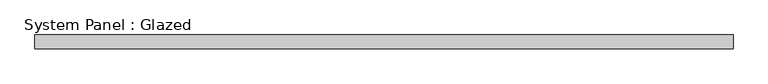
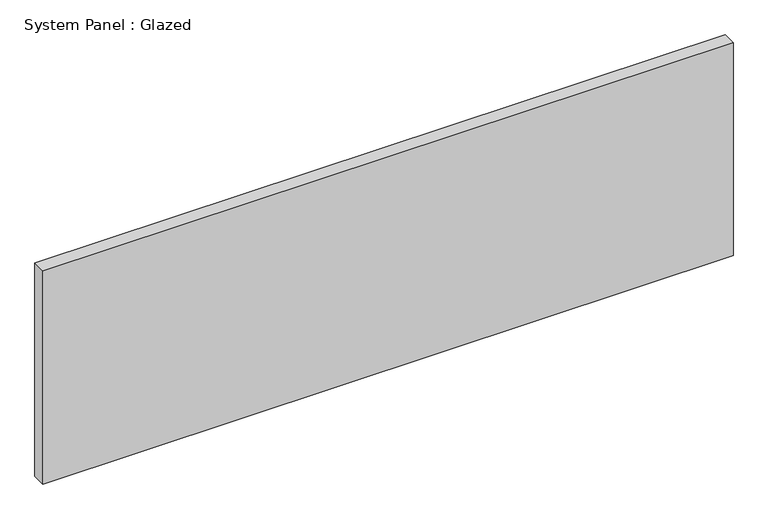
"""IFC4 building model written with IfcOpenShell, lengths in millimetres: plate geometry, System Panel : Glazed."""

from ifc_helpers import new_model, si_unit, origin, origin_with_axes, place, context, project, spatial, polyline, outline, extrude, source, transform, mapped, element, save


def system_panel_glazed_9a2f4ac9(model_context):
    return source(origin(), model_context, "Body", "SweptSolid", [
        extrude(outline(polyline([(627.8571429, -49.5), (-627.8571429, -49.5), (-627.8571429, -24.5), (627.8571429, -24.5), (627.8571429, -49.5)])), origin_with_axes(), (0.0, 0.0, 1.0), 410.0),
    ])


if __name__ == "__main__":
    model = new_model("IFC4")
    model_context = context("Model", 3, world=origin())
    ifc_project = project(units=[si_unit("LENGTHUNIT", "METRE", prefix="MILLI")], contexts=[model_context])
    site = spatial("IfcSite", under=ifc_project)
    building = spatial("IfcBuilding", under=site)
    placement = place(None, origin())
    system_panel_glazed_shape = system_panel_glazed_9a2f4ac9(model_context)
    element("IfcPlate", 1, ObjectType="System Panel : Glazed", at=placement, inside=building, context=model_context, shape_type="MappedRepresentation", body=[
        mapped(system_panel_glazed_shape, transform((0.0, 0.0, 0.0), x_axis=(1.0, 0.0, 0.0), y_axis=(0.0, 1.0, 0.0), z_axis=(0.0, 0.0, 1.0))),
    ])
    save(model, "model.ifc")
